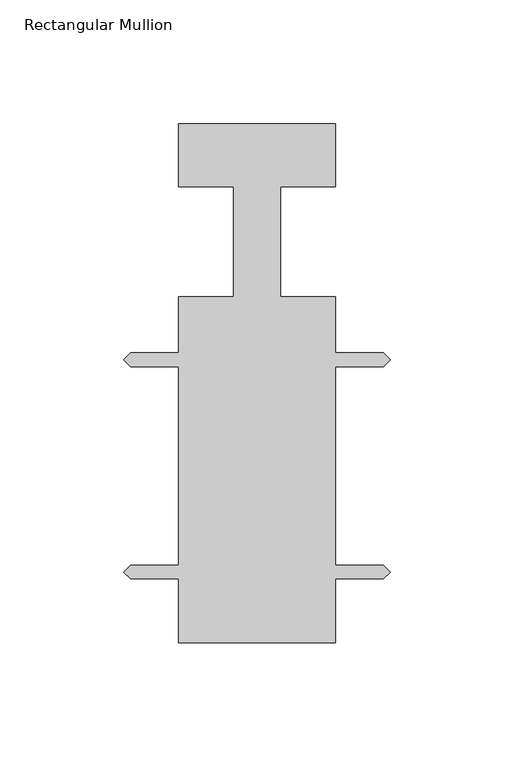
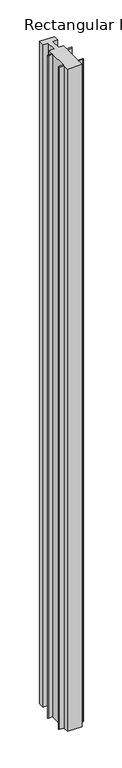
"""IFC4 building model written with IfcOpenShell, lengths in millimetres: member geometry, Rectangular Mullion."""

from ifc_helpers import new_model, si_unit, frame, origin, place, context, project, spatial, polyline, outline, extrude, source, transform, mapped, element, save


def rectangular_mullion_e74207be(model_context):
    return source(origin(), model_context, "Body", "SweptSolid", [
        extrude(outline(polyline([(-22.0979422, -139.699995), (-85.5979422, -139.699995), (-85.5979422, -113.8681924), (-104.95268, -113.8681924), (-107.6958717, -111.1250007), (-104.952666, -108.381795), (-85.5979422, -108.381795), (-85.5979422, -28.1431975), (-104.9526782, -28.1431975), (-107.6958905, -25.3999852), (-104.952666, -22.6568), (-85.5980554, -22.6568), (-85.5980554, 0.0), (-63.3730554, 0.0), (-63.3730554, 44.45), (-85.5979404, 44.45), (-85.5979404, 69.85), (-22.0979404, 69.85), (-22.0979404, 44.45), (-44.322829, 44.45), (-44.322829, 0.0), (-22.097829, 0.0), (-22.097829, -22.6568), (-2.7432184, -22.6568), (0.0, -25.3999791), (-2.7432184, -28.1431975), (-22.0979422, -28.1431975), (-22.0979422, -108.381795), (-2.7432184, -108.381795), (0.0, -111.1249741), (-2.7432184, -113.8681924), (-22.0979422, -113.8681924), (-22.0979422, -139.699995)])), frame((0.0, 0.0, -3048.0), z_axis=(0.0, 0.0, 1.0), x_axis=(1.0, 0.0, 0.0)), (0.0, 0.0, 1.0), 3048.0),
    ])


if __name__ == "__main__":
    model = new_model("IFC4")
    model_context = context("Model", 3, world=origin())
    ifc_project = project(units=[si_unit("LENGTHUNIT", "METRE", prefix="MILLI")], contexts=[model_context])
    site = spatial("IfcSite", under=ifc_project)
    building = spatial("IfcBuilding", under=site)
    placement = place(None, origin())
    rectangular_mullion_shape = rectangular_mullion_e74207be(model_context)
    element("IfcMember", 1, ObjectType="Rectangular Mullion", at=placement, inside=building, context=model_context, shape_type="MappedRepresentation", body=[
        mapped(rectangular_mullion_shape, transform((0.0, 0.0, 0.0), x_axis=(1.0, 0.0, 0.0), y_axis=(0.0, 1.0, 0.0), z_axis=(0.0, 0.0, 1.0))),
    ])
    save(model, "model.ifc")
